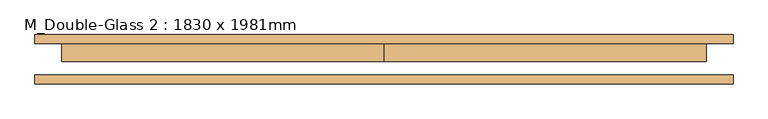
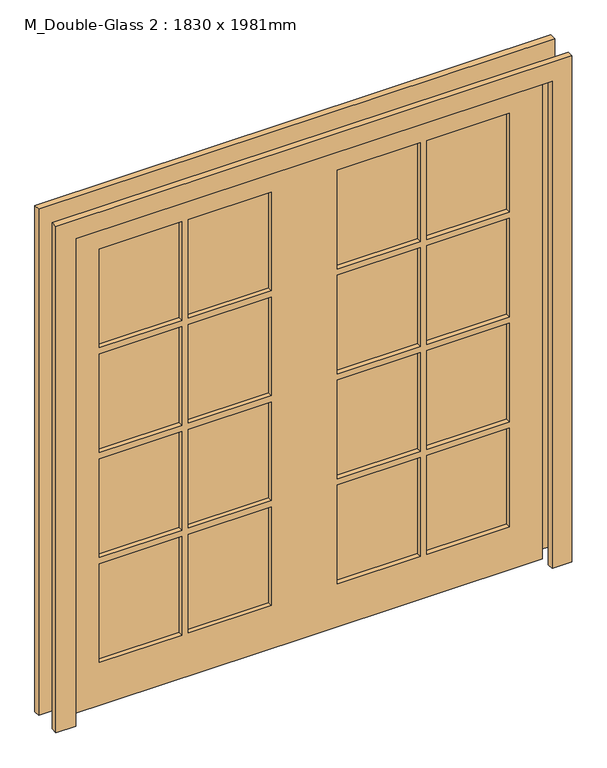
"""IFC4 building model written with IfcOpenShell, lengths in millimetres: door geometry, M_Double-Glass 2 : 1830 x 1981mm."""

from ifc_helpers import new_model, si_unit, frame, origin, place, context, project, spatial, polyline, outline, extrude, source, transform, mapped, element, save


def m_double_glass_2_1830_x_1981mm_7d6dc862(model_context):
    return source(origin(), model_context, "Body", "SweptSolid", [
        extrude(outline(polyline([(470.0, 25.95), (788.0, 25.95), (788.0, 13.25), (470.0, 13.25), (470.0, 25.95)])), frame((0.0, 0.0, 1454.5), z_axis=(0.0, 0.0, 1.0), x_axis=(1.0, 0.0, 0.0)), (0.0, 0.0, 1.0), 401.5),
        extrude(outline(polyline([(127.0, 25.95), (445.0, 25.95), (445.0, 13.25), (127.0, 13.25), (127.0, 25.95)])), frame((0.0, 0.0, 1454.5), z_axis=(0.0, 0.0, 1.0), x_axis=(1.0, 0.0, 0.0)), (0.0, 0.0, 1.0), 401.5),
        extrude(outline(polyline([(-445.0, 25.95), (-127.0, 25.95), (-127.0, 13.25), (-445.0, 13.25), (-445.0, 25.95)])), frame((0.0, 0.0, 1454.5), z_axis=(0.0, 0.0, 1.0), x_axis=(1.0, 0.0, 0.0)), (0.0, 0.0, 1.0), 401.5),
        extrude(outline(polyline([(-788.0, 25.95), (-470.0, 25.95), (-470.0, 13.25), (-788.0, 13.25), (-788.0, 25.95)])), frame((0.0, 0.0, 1454.5), z_axis=(0.0, 0.0, 1.0), x_axis=(1.0, 0.0, 0.0)), (0.0, 0.0, 1.0), 401.5),
        extrude(outline(polyline([(-788.0, 25.95), (-470.0, 25.95), (-470.0, 13.25), (-788.0, 13.25), (-788.0, 25.95)])), frame((0.0, 0.0, 1028.0), z_axis=(0.0, 0.0, 1.0), x_axis=(1.0, 0.0, 0.0)), (0.0, 0.0, 1.0), 401.5),
        extrude(outline(polyline([(-445.0, 25.95), (-127.0, 25.95), (-127.0, 13.25), (-445.0, 13.25), (-445.0, 25.95)])), frame((0.0, 0.0, 1028.0), z_axis=(0.0, 0.0, 1.0), x_axis=(1.0, 0.0, 0.0)), (0.0, 0.0, 1.0), 401.5),
        extrude(outline(polyline([(127.0, 25.95), (445.0, 25.95), (445.0, 13.25), (127.0, 13.25), (127.0, 25.95)])), frame((0.0, 0.0, 1028.0), z_axis=(0.0, 0.0, 1.0), x_axis=(1.0, 0.0, 0.0)), (0.0, 0.0, 1.0), 401.5),
        extrude(outline(polyline([(470.0, 25.95), (788.0, 25.95), (788.0, 13.25), (470.0, 13.25), (470.0, 25.95)])), frame((0.0, 0.0, 1028.0), z_axis=(0.0, 0.0, 1.0), x_axis=(1.0, 0.0, 0.0)), (0.0, 0.0, 1.0), 401.5),
        extrude(outline(polyline([(470.0, 25.95), (788.0, 25.95), (788.0, 13.25), (470.0, 13.25), (470.0, 25.95)])), frame((0.0, 0.0, 601.5), z_axis=(0.0, 0.0, 1.0), x_axis=(1.0, 0.0, 0.0)), (0.0, 0.0, 1.0), 401.5),
        extrude(outline(polyline([(127.0, 25.95), (445.0, 25.95), (445.0, 13.25), (127.0, 13.25), (127.0, 25.95)])), frame((0.0, 0.0, 601.5), z_axis=(0.0, 0.0, 1.0), x_axis=(1.0, 0.0, 0.0)), (0.0, 0.0, 1.0), 401.5),
        extrude(outline(polyline([(-445.0, 25.95), (-127.0, 25.95), (-127.0, 13.25), (-445.0, 13.25), (-445.0, 25.95)])), frame((0.0, 0.0, 601.5), z_axis=(0.0, 0.0, 1.0), x_axis=(1.0, 0.0, 0.0)), (0.0, 0.0, 1.0), 401.5),
        extrude(outline(polyline([(-788.0, 25.95), (-470.0, 25.95), (-470.0, 13.25), (-788.0, 13.25), (-788.0, 25.95)])), frame((0.0, 0.0, 601.5), z_axis=(0.0, 0.0, 1.0), x_axis=(1.0, 0.0, 0.0)), (0.0, 0.0, 1.0), 401.5),
        extrude(outline(polyline([(470.0, 25.95), (788.0, 25.95), (788.0, 13.25), (470.0, 13.25), (470.0, 25.95)])), frame((0.0, 0.0, 175.0), z_axis=(0.0, 0.0, 1.0), x_axis=(1.0, 0.0, 0.0)), (0.0, 0.0, 1.0), 401.5),
        extrude(outline(polyline([(127.0, 25.95), (445.0, 25.95), (445.0, 13.25), (127.0, 13.25), (127.0, 25.95)])), frame((0.0, 0.0, 175.0), z_axis=(0.0, 0.0, 1.0), x_axis=(1.0, 0.0, 0.0)), (0.0, 0.0, 1.0), 401.5),
        extrude(outline(polyline([(-445.0, 25.95), (-127.0, 25.95), (-127.0, 13.25), (-445.0, 13.25), (-445.0, 25.95)])), frame((0.0, 0.0, 175.0), z_axis=(0.0, 0.0, 1.0), x_axis=(1.0, 0.0, 0.0)), (0.0, 0.0, 1.0), 401.5),
        extrude(outline(polyline([(-788.0, 25.95), (-470.0, 25.95), (-470.0, 13.25), (-788.0, 13.25), (-788.0, 25.95)])), frame((0.0, 0.0, 175.0), z_axis=(0.0, 0.0, 1.0), x_axis=(1.0, 0.0, 0.0)), (0.0, 0.0, 1.0), 401.5),
        extrude(outline(polyline([(1981.0, 0.0), (1981.0, -915.0), (0.0, -915.0), (0.0, 0.0), (0.0, 915.0), (1981.0, 915.0), (1981.0, 0.0)]), holes=[polyline([(1856.0, 470.0), (1856.0, 788.0), (1454.5, 788.0), (1454.5, 470.0), (1856.0, 470.0)]), polyline([(1856.0, 127.0), (1856.0, 445.0), (1454.5, 445.0), (1454.5, 127.0), (1856.0, 127.0)]), polyline([(1429.5, 470.0), (1429.5, 788.0), (1028.0, 788.0), (1028.0, 470.0), (1429.5, 470.0)]), polyline([(1429.5, 127.0), (1429.5, 445.0), (1028.0, 445.0), (1028.0, 127.0), (1429.5, 127.0)]), polyline([(1003.0, 470.0), (1003.0, 788.0), (601.5, 788.0), (601.5, 470.0), (1003.0, 470.0)]), polyline([(1003.0, 127.0), (1003.0, 445.0), (601.5, 445.0), (601.5, 127.0), (1003.0, 127.0)]), polyline([(576.5, 470.0), (576.5, 788.0), (175.0, 788.0), (175.0, 470.0), (576.5, 470.0)]), polyline([(576.5, 127.0), (576.5, 445.0), (175.0, 445.0), (175.0, 127.0), (576.5, 127.0)]), polyline([(1856.0, -445.0), (1856.0, -127.0), (1454.5, -127.0), (1454.5, -445.0), (1856.0, -445.0)]), polyline([(1429.5, -445.0), (1429.5, -127.0), (1028.0, -127.0), (1028.0, -445.0), (1429.5, -445.0)]), polyline([(1429.5, -470.0), (1028.0, -470.0), (1028.0, -788.0), (1429.5, -788.0), (1429.5, -470.0)]), polyline([(1003.0, -445.0), (1003.0, -127.0), (601.5, -127.0), (601.5, -445.0), (1003.0, -445.0)]), polyline([(1003.0, -470.0), (601.5, -470.0), (601.5, -788.0), (1003.0, -788.0), (1003.0, -470.0)]), polyline([(576.5, -445.0), (576.5, -127.0), (175.0, -127.0), (175.0, -445.0), (576.5, -445.0)]), polyline([(576.5, -788.0), (576.5, -470.0), (175.0, -470.0), (175.0, -788.0), (576.5, -788.0)]), polyline([(1454.5, -470.0), (1454.5, -788.0), (1856.0, -788.0), (1856.0, -470.0), (1454.5, -470.0)])]), frame((0.0, -6.0, 0.0), z_axis=(0.0, 1.0, 0.0), x_axis=(0.0, 0.0, 1.0)), (0.0, 0.0, 1.0), 51.0),
        extrude(outline(polyline([(1981.0, -915.0), (1981.0, 915.0), (0.0, 915.0), (0.0, 991.0), (2057.0, 991.0), (2057.0, -991.0), (0.0, -991.0), (0.0, -915.0), (1981.0, -915.0)])), frame((0.0, -70.0, 0.0), z_axis=(0.0, 1.0, 0.0), x_axis=(0.0, 0.0, 1.0)), (0.0, 0.0, 1.0), 25.0),
        extrude(outline(polyline([(1981.0, -915.0), (1981.0, 915.0), (0.0, 915.0), (0.0, 991.0), (2057.0, 991.0), (2057.0, -991.0), (0.0, -991.0), (0.0, -915.0), (1981.0, -915.0)])), frame((0.0, 45.0, 0.0), z_axis=(0.0, 1.0, 0.0), x_axis=(0.0, 0.0, 1.0)), (0.0, 0.0, 1.0), 25.0),
    ])


if __name__ == "__main__":
    model = new_model("IFC4")
    model_context = context("Model", 3, world=origin())
    ifc_project = project(units=[si_unit("LENGTHUNIT", "METRE", prefix="MILLI")], contexts=[model_context])
    site = spatial("IfcSite", under=ifc_project)
    building = spatial("IfcBuilding", under=site)
    placement = place(None, origin())
    m_double_glass_2_1830_x_1981mm_shape = m_double_glass_2_1830_x_1981mm_7d6dc862(model_context)
    element("IfcDoor", 1, ObjectType="M_Double-Glass 2 : 1830 x 1981mm", at=placement, inside=building, context=model_context, shape_type="MappedRepresentation", body=[
        mapped(m_double_glass_2_1830_x_1981mm_shape, transform((0.0, 0.0, 0.0), x_axis=(1.0, 0.0, 0.0), y_axis=(0.0, 1.0, 0.0), z_axis=(0.0, 0.0, 1.0))),
    ])
    save(model, "model.ifc")
